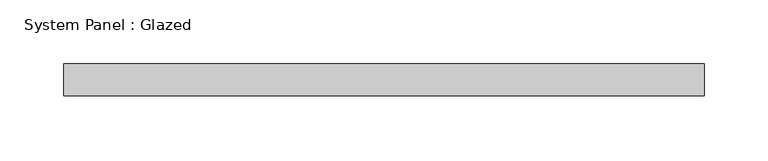
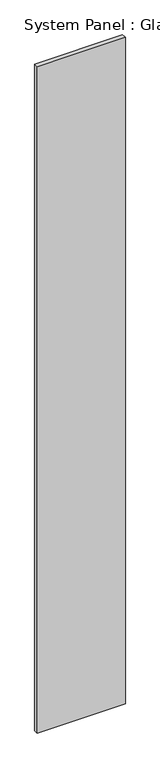
"""IFC4 building model written with IfcOpenShell, lengths in millimetres: plate geometry, System Panel : Glazed."""

from ifc_helpers import new_model, si_unit, origin, origin_with_axes, place, context, project, spatial, polyline, outline, extrude, source, transform, mapped, element, save


def system_panel_glazed_976b2d58(model_context):
    return source(origin(), model_context, "Body", "SweptSolid", [
        extrude(outline(polyline([(250.0000001, 24.5), (-250.0000001, 24.5), (-250.0000001, 49.5), (250.0000001, 49.5), (250.0000001, 24.5)])), origin_with_axes(), (0.0, 0.0, 1.0), 4000.0),
    ])


if __name__ == "__main__":
    model = new_model("IFC4")
    model_context = context("Model", 3, world=origin())
    ifc_project = project(units=[si_unit("LENGTHUNIT", "METRE", prefix="MILLI")], contexts=[model_context])
    site = spatial("IfcSite", under=ifc_project)
    building = spatial("IfcBuilding", under=site)
    placement = place(None, origin())
    system_panel_glazed_shape = system_panel_glazed_976b2d58(model_context)
    element("IfcPlate", 1, ObjectType="System Panel : Glazed", at=placement, inside=building, context=model_context, shape_type="MappedRepresentation", body=[
        mapped(system_panel_glazed_shape, transform((0.0, 0.0, 0.0), x_axis=(1.0, 0.0, 0.0), y_axis=(0.0, 1.0, 0.0), z_axis=(0.0, 0.0, 1.0))),
    ])
    save(model, "model.ifc")
